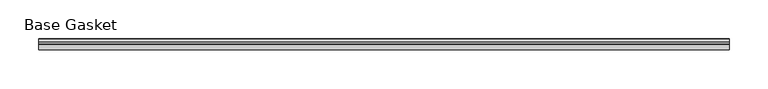
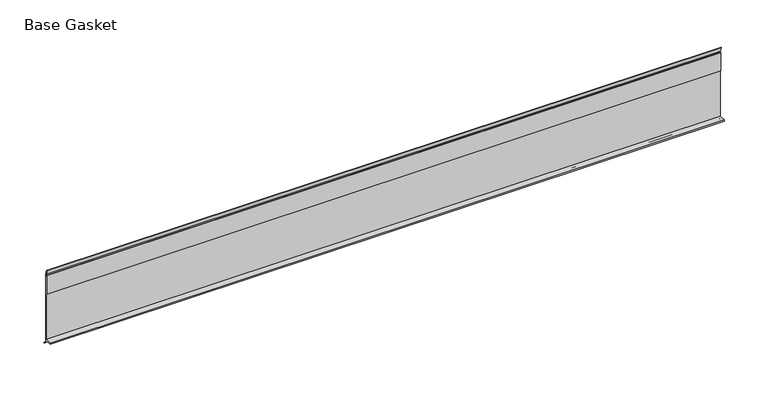
"""IFC4 building model written with IfcOpenShell, lengths in millimetres: furniture geometry, Base Gasket."""

from ifc_helpers import new_model, si_unit, frame, origin, place, context, project, spatial, polyline, outline, extrude, source, transform, mapped, element, save


def base_gasket_2d033d90(model_context):
    return source(origin(), model_context, "Body", "SweptSolid", [
        extrude(outline(polyline([(3.7283812, 98.4568417), (3.7283812, 4.3498477), (7.4222115, 0.6560174), (7.8482342, 0.0), (6.8281054, 0.3520979), (2.2043812, 4.3498477), (2.1334222, 6.3818476), (-6.2405171, 6.3818476), (-6.2405171, 7.9398773), (2.2043812, 7.9398773), (2.2043812, 71.4693447), (1.4106313, 71.4693447), (1.4106313, 96.8693477), (2.2043812, 96.8693477), (2.2043812, 98.4568417), (0.6755308, 104.4162708), (0.6755308, 105.2002997), (1.1891543, 104.587663), (3.7283812, 98.4568417)])), frame((-1527.8982117, 0.0, 0.0), z_axis=(1.0, 0.0, 0.0), x_axis=(0.0, 1.0, 0.0)), (0.0, 0.0, 1.0), 886.9023403),
    ])


if __name__ == "__main__":
    model = new_model("IFC4")
    model_context = context("Model", 3, world=origin())
    ifc_project = project(units=[si_unit("LENGTHUNIT", "METRE", prefix="MILLI")], contexts=[model_context])
    site = spatial("IfcSite", under=ifc_project)
    building = spatial("IfcBuilding", under=site)
    placement = place(None, origin())
    base_gasket_shape = base_gasket_2d033d90(model_context)
    element("IfcFurniture", 1, ObjectType="Base Gasket", at=placement, inside=building, context=model_context, shape_type="MappedRepresentation", body=[
        mapped(base_gasket_shape, transform((0.0, 0.0, 0.0), x_axis=(1.0, 0.0, 0.0), y_axis=(0.0, 1.0, 0.0), z_axis=(0.0, 0.0, 1.0))),
    ])
    save(model, "model.ifc")
